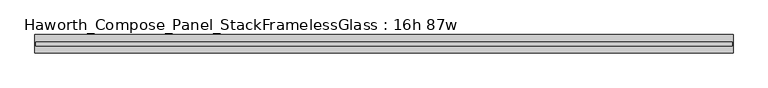
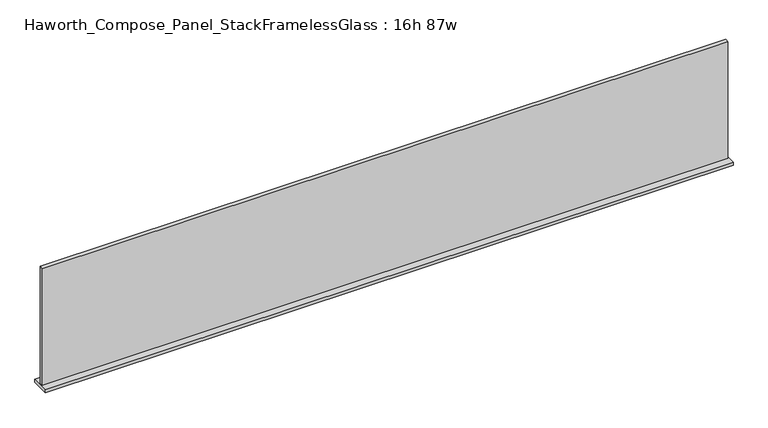
"""IFC4 building model written with IfcOpenShell, lengths in millimetres: furniture geometry, Haworth_Compose_Panel_StackFramelessGlass : 16h 87w."""

from ifc_helpers import new_model, si_unit, frame, origin, place, context, project, spatial, polyline, outline, extrude, source, transform, mapped, element, save


def haworth_compose_panel_stackframelessglass_16h_87w_20151ee8(model_context):
    return source(origin(), model_context, "Body", "SweptSolid", [
        extrude(outline(polyline([(1104.1652902, -27.3093594), (-1099.2847098, -27.3093594), (-1099.2847098, -14.6093594), (1104.1652902, -14.6093594), (1104.1652902, -27.3093594)])), frame((0.0, 0.0, 1279.525), z_axis=(0.0, 0.0, 1.0), x_axis=(1.0, 0.0, 0.0)), (0.0, 0.0, 1.0), 396.875),
        extrude(outline(polyline([(-1102.4597098, -50.3281094), (-1102.4597098, 8.4093906), (1107.3402902, 8.4093906), (1107.3402902, -50.3281094), (-1102.4597098, -50.3281094)])), frame((0.0, 0.0, 1270.0), z_axis=(0.0, 0.0, 1.0), x_axis=(1.0, 0.0, 0.0)), (0.0, 0.0, 1.0), 9.525),
    ])


if __name__ == "__main__":
    model = new_model("IFC4")
    model_context = context("Model", 3, world=origin())
    ifc_project = project(units=[si_unit("LENGTHUNIT", "METRE", prefix="MILLI")], contexts=[model_context])
    site = spatial("IfcSite", under=ifc_project)
    building = spatial("IfcBuilding", under=site)
    placement = place(None, origin())
    haworth_compose_panel_stackframelessglass_16h_87w_shape = haworth_compose_panel_stackframelessglass_16h_87w_20151ee8(model_context)
    element("IfcFurniture", 1, ObjectType="Haworth_Compose_Panel_StackFramelessGlass : 16h 87w", at=placement, inside=building, context=model_context, shape_type="MappedRepresentation", body=[
        mapped(haworth_compose_panel_stackframelessglass_16h_87w_shape, transform((0.0, 0.0, 0.0), x_axis=(1.0, 0.0, 0.0), y_axis=(0.0, 1.0, 0.0), z_axis=(0.0, 0.0, 1.0))),
    ])
    save(model, "model.ifc")
